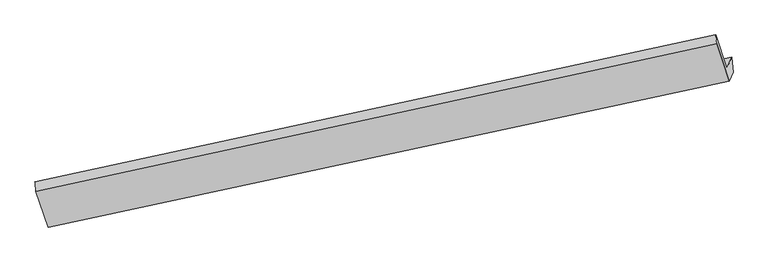
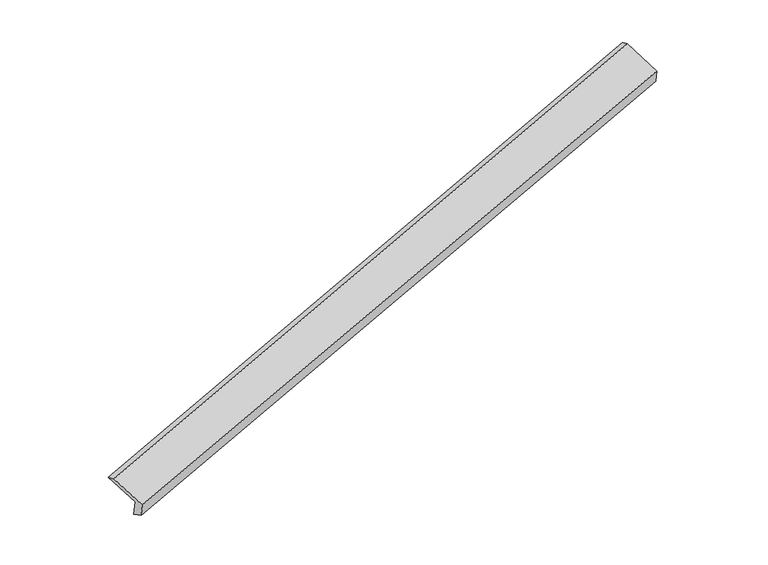
"""IFC4 building model written with IfcOpenShell, lengths in millimetres: proxy geometry."""

import ifcopenshell
import ifcopenshell.guid

model = None  # the IFC model being written
_history = None  # IfcOwnerHistory: only IFC2X3 demands one
_inside = {}  # id of a spatial element -> (the spatial element, [elements in it])
_under = {}  # id of a project, library or spatial element -> (it, [spatial elements below it])
_declared = {}  # id of a project -> (the project, [libraries it declares])
_typed = {}  # id of a type object -> (the type object, [elements of that type])
_made_of = {}  # id of a material, layer set ... -> (it, [elements and type objects made of it])


def new_model(schema):
    """Start an empty IFC model of exactly this schema.

    Asked for "IFC4X3", IfcOpenShell would pick the latest addendum, in which some entities
    have other attributes; the version numbers below select the first issue.
    IFC2X3 requires an IfcOwnerHistory on every rooted entity: one is made here for all.
    """
    global model, _history
    if schema == "IFC4X3":
        model = ifcopenshell.file(schema_version=(4, 3, 0, 0))
    else:
        model = ifcopenshell.file(schema=schema)
    _inside.clear()
    _under.clear()
    _declared.clear()
    _typed.clear()
    _made_of.clear()
    _history = None
    if model.schema == "IFC2X3":
        org = make("IfcOrganization", Name="unknown")
        user = make(
            "IfcPersonAndOrganization",
            ThePerson=make("IfcPerson", FamilyName="unknown"),
            TheOrganization=org,
        )
        app = make(
            "IfcApplication",
            ApplicationDeveloper=org,
            Version="unknown",
            ApplicationFullName="unknown",
            ApplicationIdentifier="unknown",
        )
        _history = make(
            "IfcOwnerHistory",
            OwningUser=user,
            OwningApplication=app,
            ChangeAction="ADDED",
            CreationDate=0,
        )
    return model


def make(cls, **values):
    """One entity of the class cls with the attributes given. An attribute that is None is left unset."""
    return model.create_entity(
        cls, **{name: value for name, value in values.items() if value is not None}
    )


def rooted(cls, **values):
    """An entity with a GlobalId (a new one), such as an element, a storey or a relation."""
    return make(cls, GlobalId=ifcopenshell.guid.new(), OwnerHistory=_history, **values)


def si_unit(unit_type, name, prefix=None):
    """IfcSIUnit, for example si_unit("LENGTHUNIT", "METRE", prefix="MILLI")."""
    return make("IfcSIUnit", UnitType=unit_type, Prefix=prefix, Name=name)


def assignment(units):
    """IfcUnitAssignment: the units of a project."""
    return None if units is None else make("IfcUnitAssignment", Units=units)


def point(xyz):
    """IfcCartesianPoint."""
    return None if xyz is None else make("IfcCartesianPoint", Coordinates=xyz)


def direction(xyz):
    """IfcDirection."""
    return None if xyz is None else make("IfcDirection", DirectionRatios=xyz)


def frame(location, z_axis=None, x_axis=None):
    """IfcAxis2Placement3D, a coordinate frame: its origin and axes. An axis left out is left unset."""
    return make(
        "IfcAxis2Placement3D",
        Location=point(location),
        Axis=direction(z_axis),
        RefDirection=direction(x_axis),
    )


def origin():
    """The frame at (0, 0, 0) with its axes left unset."""
    return frame((0.0, 0.0, 0.0))


def place(relative_to, where):
    """IfcLocalPlacement: puts the frame where relative to a parent placement (None: the world)."""
    return make(
        "IfcLocalPlacement", PlacementRelTo=relative_to, RelativePlacement=where
    )


def context(
    kind, dimensions, precision=None, world=None, true_north=None, identifier=None
):
    """IfcGeometricRepresentationContext, for example the 3D "Model" context."""
    return make(
        "IfcGeometricRepresentationContext",
        ContextIdentifier=identifier,
        ContextType=kind,
        CoordinateSpaceDimension=dimensions,
        Precision=precision,
        WorldCoordinateSystem=world,
        TrueNorth=true_north,
    )


def project(units=None, contexts=None):
    """IfcProject with its units and contexts."""
    return rooted(
        "IfcProject",
        Name="project",
        RepresentationContexts=contexts,
        UnitsInContext=assignment(units),
    )


def spatial(cls, under=None, at=None, **own):
    """A site, building, storey or space (cls), placed at a placement, below another one or the project."""
    s = rooted(cls, ObjectPlacement=at, **own)
    if under is not None:
        _under.setdefault(under.id(), (under, []))[1].append(s)
    return s


def shape(context_of_items, identifier, shape_type, items):
    """IfcShapeRepresentation: the items that make up one representation, for example the "Body"."""
    return make(
        "IfcShapeRepresentation",
        ContextOfItems=context_of_items,
        RepresentationIdentifier=identifier,
        RepresentationType=shape_type,
        Items=items,
    )


def source(mapping_origin, context_of_items, identifier, shape_type, items):
    """IfcRepresentationMap: a shape defined once, which mapped items show again and again."""
    return make(
        "IfcRepresentationMap",
        MappingOrigin=mapping_origin,
        MappedRepresentation=shape(context_of_items, identifier, shape_type, items),
    )


def transform(
    local_origin,
    x_axis=None,
    y_axis=None,
    z_axis=None,
    scale=None,
    scale2=None,
    scale3=None,
    uniform=True,
):
    """IfcCartesianTransformationOperator3D, or its non-uniform kind. x_axis, y_axis, z_axis: its Axis1, 2, 3."""
    if uniform:
        return make(
            "IfcCartesianTransformationOperator3D",
            Axis1=direction(x_axis),
            Axis2=direction(y_axis),
            LocalOrigin=point(local_origin),
            Scale=scale,
            Axis3=direction(z_axis),
        )
    return make(
        "IfcCartesianTransformationOperator3DnonUniform",
        Axis1=direction(x_axis),
        Axis2=direction(y_axis),
        LocalOrigin=point(local_origin),
        Scale=scale,
        Axis3=direction(z_axis),
        Scale2=scale2,
        Scale3=scale3,
    )


def mapped(mapping_source, mapping_target):
    """IfcMappedItem: shows the shape of a source again, moved by a transform."""
    return make(
        "IfcMappedItem", MappingSource=mapping_source, MappingTarget=mapping_target
    )


def made_of(thing, what):
    """Note that an element or type object is made of a material, layer set ...; save() writes the relation."""
    if what is not None:
        _made_of.setdefault(what.id(), (what, []))[1].append(thing)
    return thing


def element(
    cls,
    number,
    at=None,
    inside=None,
    cuts=None,
    type_object=None,
    material=None,
    context=None,
    identifier="Body",
    shape_type=None,
    held_by="IfcProductDefinitionShape",
    body=None,
    shapes=None,
    **own,
):
    """One element of the class cls, such as IfcWall. Its Tag is "e" and its number.

    at: its placement. inside: the storey or other place that contains it. cuts: it is an
    opening in that element (IfcRelVoidsElement). A single representation is given by context,
    identifier, shape_type and body (its items); several are given by shapes. held_by: the class
    of the entity that holds the representations. save() writes the other relations.
    """
    e = rooted(cls, Tag="e%d" % number, ObjectPlacement=at, **own)
    if body is not None:
        shapes = [shape(context, identifier, shape_type, body)]
    if shapes is not None:
        e.Representation = make(held_by, Representations=shapes)
    if inside is not None:
        _inside.setdefault(inside.id(), (inside, []))[1].append(e)
    if cuts is not None:
        rooted(
            "IfcRelVoidsElement", RelatingBuildingElement=cuts, RelatedOpeningElement=e
        )
    if type_object is not None:
        _typed.setdefault(type_object.id(), (type_object, []))[1].append(e)
    return made_of(e, material)


def aggregate(whole, parts):
    """IfcRelAggregates: a whole, such as a stair, and the parts it consists of."""
    return rooted("IfcRelAggregates", RelatingObject=whole, RelatedObjects=parts)


def save(model, path):
    """Write the relations noted so far, then the file.

    IfcRelAggregates (storeys below a building ...), IfcRelContainedInSpatialStructure (elements
    in a storey), IfcRelDefinesByType, IfcRelAssociatesMaterial and IfcRelDeclares: one each for
    every whole, place, type object, material and project.
    """
    for whole, parts in _under.values():
        aggregate(whole, parts)
    for where, things in _inside.values():
        rooted(
            "IfcRelContainedInSpatialStructure",
            RelatedElements=things,
            RelatingStructure=where,
        )
    for kind, things in _typed.values():
        rooted("IfcRelDefinesByType", RelatedObjects=things, RelatingType=kind)
    for what, things in _made_of.values():
        rooted("IfcRelAssociatesMaterial", RelatedObjects=things, RelatingMaterial=what)
    for by, libraries in _declared.values():
        rooted("IfcRelDeclares", RelatingContext=by, RelatedDefinitions=libraries)
    model.write(path)


def plane_surface(at):
    """IfcPlane: the flat surface through the origin of the frame at, square to its z axis."""
    return make("IfcPlane", Position=at)


def spline_surface(u_degree, v_degree, points, u_multiplicities, v_multiplicities, u_knots, v_knots, weights=None):
    """IfcBSplineSurfaceWithKnots; with weights, IfcRationalBSplineSurfaceWithKnots. points: one row for each step in u."""
    own = dict(
        UDegree=u_degree,
        VDegree=v_degree,
        ControlPointsList=[[point(p) for p in row] for row in points],
        SurfaceForm="UNSPECIFIED",
        UClosed=False,
        VClosed=False,
        SelfIntersect=False,
        UMultiplicities=u_multiplicities,
        VMultiplicities=v_multiplicities,
        UKnots=u_knots,
        VKnots=v_knots,
        KnotSpec="UNSPECIFIED",
    )
    if weights is None:
        return make("IfcBSplineSurfaceWithKnots", **own)
    return make("IfcRationalBSplineSurfaceWithKnots", WeightsData=weights, **own)


def advanced_brep(points, edges, surfaces, faces):
    """IfcAdvancedBrep: a solid bounded by faces that lie on surfaces and meet in shared edges.

    An edge is (start, end): straight between two places in points (the first is 0);
    or (start, end, curve); or (start, end, curve, False) where it runs against its curve.
    A face is (place in surfaces, loops), or (place, loops, False) where it looks against
    its surface's normal. A loop lists edges by number (the first is 1), with a minus sign
    where the edge is run from its end to its start. The first loop is the outer one.
    """
    corners = [point(p) for p in points]
    vertices = [make("IfcVertexPoint", VertexGeometry=c) for c in corners]
    made = []
    for start, end, *more in edges:
        made.append(
            make(
                "IfcEdgeCurve",
                EdgeStart=vertices[start],
                EdgeEnd=vertices[end],
                EdgeGeometry=more[0] if more else make("IfcPolyline", Points=[corners[start], corners[end]]),
                SameSense=more[1] if len(more) > 1 else True,
            )
        )
    hull = []
    for where, loops, *sense in faces:
        bounds = []
        for j, loop in enumerate(loops):
            ring = [make("IfcOrientedEdge", EdgeElement=made[abs(k) - 1], Orientation=k > 0) for k in loop]
            bounds.append(
                make(
                    "IfcFaceOuterBound" if j == 0 else "IfcFaceBound",
                    Bound=make("IfcEdgeLoop", EdgeList=ring),
                    Orientation=True,
                )
            )
        hull.append(make("IfcAdvancedFace", Bounds=bounds, FaceSurface=surfaces[where], SameSense=sense[0] if sense else True))
    return make("IfcAdvancedBrep", Outer=make("IfcClosedShell", CfsFaces=hull))


def generic_models_f3ea599d(model_context):
    return source(origin(), model_context, "Body", "AdvancedBrep", [
        advanced_brep(
        [(-9488.2971062, -3361.0129612, -18.1354861), (-9409.4730426, -3178.3024792, -409.1241371), (3979.710154, -304.7000669, 3633.7080989), (3903.6935451, -480.9030004, 4010.7710158), (-9726.4080347, -2653.7717464, 264.3573995), (3655.1382132, 257.3603628, 4305.6550573), (-9746.9066753, -2469.4159908, 200.5627899), (3638.2173884, 426.3385623, 4241.0060463), (-9521.5172751, -3138.8715014, -66.8373771), (3859.1306158, -229.8217419, 3978.9163748), (-9426.9883898, -2919.7579797, -535.7261861), (3951.4694449, -15.7846674, 3520.8908357)],
        [
            (0, 1),
            (1, 2),
            (2, 3),
            (3, 0),
            (4, 0),
            (3, 5),
            (5, 4),
            (6, 4),
            (5, 7),
            (7, 6),
            (8, 6),
            (7, 9),
            (9, 8),
            (10, 8),
            (9, 11),
            (11, 10),
            (1, 10),
            (11, 2),
        ],
        [
            plane_surface(frame((-9448.8850744, -3269.6577202, -213.6298116), z_axis=(0.297283361242767, -0.8865899328675735, -0.3543739466525071), x_axis=(0.17967142570771424, 0.4164699365312718, -0.8912188119366622))),
            plane_surface(frame((-9607.3525705, -3007.3923538, 123.1109567), z_axis=(-0.17868657925845202, -0.416257140274818, 0.8915161802026609), x_axis=(0.298411526037031, -0.8863470968164414, -0.35403302825204913))),
            spline_surface(1, 1, [[(-9746.9066753, -2469.4159908, 200.5627899), (3638.2173884, 426.3385623, 4241.0060463)], [(-9726.4080347, -2653.7717464, 264.3573995), (3655.1382132, 257.3603628, 4305.6550573)]], [2, 2], [2, 2], [0.0, 1.0], [0.0, 1.0]),
            plane_surface(frame((-9634.2119752, -2804.1437461, 66.8627064), z_axis=(0.17901488323929787, 0.4163281233867854, -0.8914171667945701), x_axis=(-0.29841152603701326, 0.8863470968164486, 0.354033028252046))),
            plane_surface(frame((-9474.2528324, -3029.3147405, -301.2817816), z_axis=(-0.29958108816444584, 0.8860938961076357, 0.3536789206257523), x_axis=(-0.17967142570771366, -0.41646993653127556, 0.8912188119366606))),
            spline_surface(1, 1, [[(-9409.4730426, -3178.3024792, -409.1241371), (3979.710154, -304.7000669, 3633.7080989)], [(-9426.9883898, -2919.7579797, -535.7261861), (3951.4694449, -15.7846674, 3520.8908357)]], [2, 2], [2, 2], [0.0, 1.0], [0.0, 1.0]),
            plane_surface(frame((3831.2265602, -57.9184253, 3948.4912381), z_axis=(0.9373733193942944, 0.20234034676907642, 0.28353067586610836), x_axis=(-0.29841152603701326, 0.8863470968164486, 0.354033028252046))),
            plane_surface(frame((-9553.2650873, -2953.5221098, -94.1504995), z_axis=(-0.9373733193943639, -0.2023403467692666, -0.2835306758657433), x_axis=(-0.17967142570771175, -0.4164699365312694, 0.891218811936664))),
        ],
        [
            (0, [[1, 2, 3, 4]]),
            (1, [[5, -4, 6, 7]]),
            (2, [[8, -7, 9, 10]]),
            (3, [[11, -10, 12, 13]]),
            (4, [[14, -13, 15, 16]]),
            (5, [[17, -16, 18, -2]]),
            (6, [[-12, -9, -6, -3, -18, -15]]),
            (7, [[-1, -5, -8, -11, -14, -17]]),
        ],
    ),
    ])


if __name__ == "__main__":
    model = new_model("IFC4")
    model_context = context("Model", 3, world=origin())
    ifc_project = project(units=[si_unit("LENGTHUNIT", "METRE", prefix="MILLI")], contexts=[model_context])
    site = spatial("IfcSite", under=ifc_project)
    building = spatial("IfcBuilding", under=site)
    placement = place(None, origin())
    generic_models_shape = generic_models_f3ea599d(model_context)
    element("IfcBuildingElementProxy", 1, Name="Generic Models", at=placement, inside=building, context=model_context, shape_type="MappedRepresentation", body=[
        mapped(generic_models_shape, transform((0.0, 0.0, 0.0), x_axis=(1.0, 0.0, 0.0), y_axis=(0.0, 1.0, 0.0), z_axis=(0.0, 0.0, 1.0))),
    ])
    save(model, "model.ifc")
